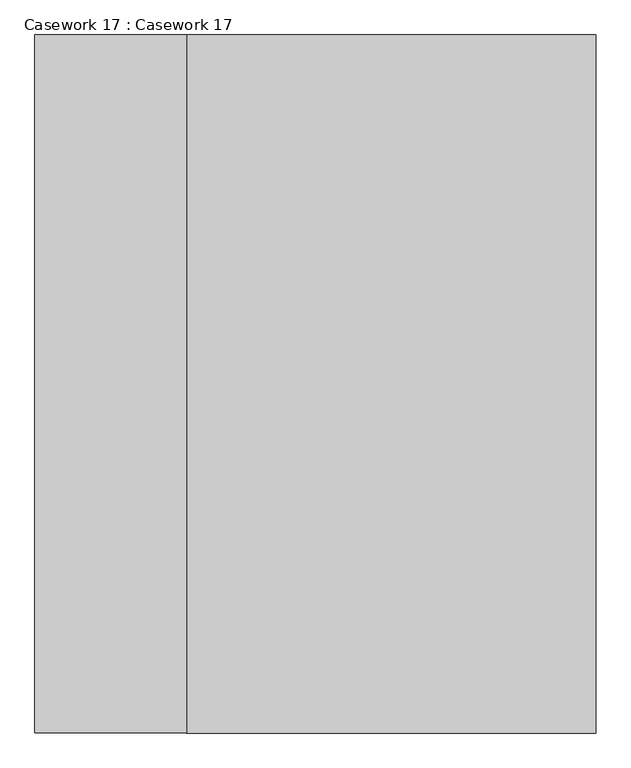
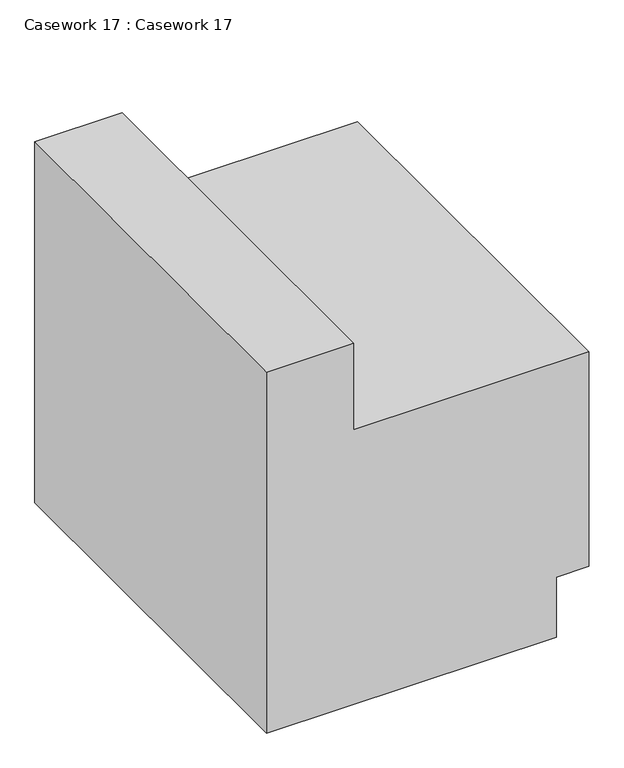
"""IFC4 building model written with IfcOpenShell, lengths in millimetres: furniture geometry, Casework 17 : Casework 17."""

from ifc_helpers import new_model, si_unit, frame, origin, place, context, project, spatial, polyline, outline, extrude, source, transform, mapped, element, save


def casework_17_casework_17_ee209292(model_context):
    return source(origin(), model_context, "Body", "SweptSolid", [
        extrude(outline(polyline([(-5543.55, -24061.4375594), (-5543.55, -24315.4375594), (-6654.8, -24315.4375594), (-6654.8, -23470.8875594), (-6470.65, -23470.8875594), (-6470.65, -23375.6375594), (-5810.25, -23375.6375594), (-5810.25, -24061.4375594), (-5543.55, -24061.4375594)])), frame((0.0, 971.6889275, 0.0), z_axis=(0.0, 1.0, 0.0), x_axis=(0.0, 0.0, 1.0)), (0.0, 0.0, 1.0), 1168.2898302),
    ])


if __name__ == "__main__":
    model = new_model("IFC4")
    model_context = context("Model", 3, world=origin())
    ifc_project = project(units=[si_unit("LENGTHUNIT", "METRE", prefix="MILLI")], contexts=[model_context])
    site = spatial("IfcSite", under=ifc_project)
    building = spatial("IfcBuilding", under=site)
    placement = place(None, origin())
    casework_17_casework_17_shape = casework_17_casework_17_ee209292(model_context)
    element("IfcFurniture", 1, ObjectType="Casework 17 : Casework 17", at=placement, inside=building, context=model_context, shape_type="MappedRepresentation", body=[
        mapped(casework_17_casework_17_shape, transform((0.0, 0.0, 0.0), x_axis=(1.0, 0.0, 0.0), y_axis=(0.0, 1.0, 0.0), z_axis=(0.0, 0.0, 1.0))),
    ])
    save(model, "model.ifc")
